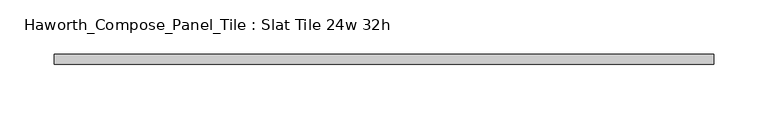
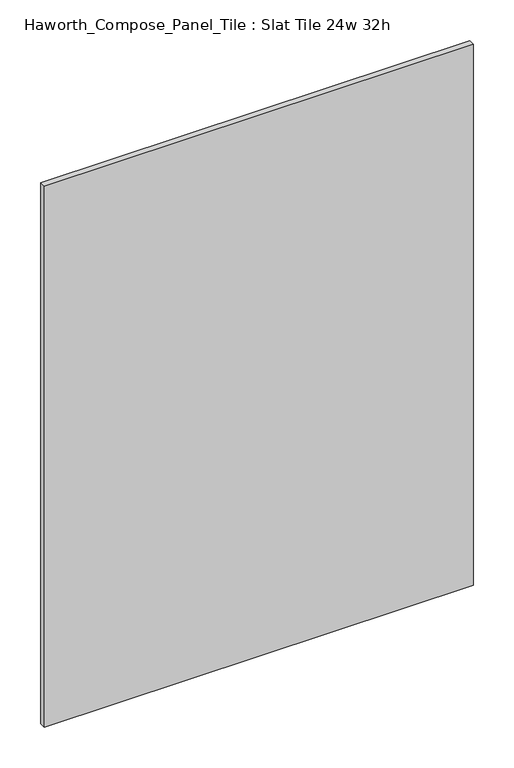
"""IFC4 building model written with IfcOpenShell, lengths in millimetres: furniture geometry, Haworth_Compose_Panel_Tile : Slat Tile 24w 32h."""

import ifcopenshell
import ifcopenshell.guid

model = None  # the IFC model being written
_history = None  # IfcOwnerHistory: only IFC2X3 demands one
_inside = {}  # id of a spatial element -> (the spatial element, [elements in it])
_under = {}  # id of a project, library or spatial element -> (it, [spatial elements below it])
_declared = {}  # id of a project -> (the project, [libraries it declares])
_typed = {}  # id of a type object -> (the type object, [elements of that type])
_made_of = {}  # id of a material, layer set ... -> (it, [elements and type objects made of it])


def new_model(schema):
    """Start an empty IFC model of exactly this schema.

    Asked for "IFC4X3", IfcOpenShell would pick the latest addendum, in which some entities
    have other attributes; the version numbers below select the first issue.
    IFC2X3 requires an IfcOwnerHistory on every rooted entity: one is made here for all.
    """
    global model, _history
    if schema == "IFC4X3":
        model = ifcopenshell.file(schema_version=(4, 3, 0, 0))
    else:
        model = ifcopenshell.file(schema=schema)
    _inside.clear()
    _under.clear()
    _declared.clear()
    _typed.clear()
    _made_of.clear()
    _history = None
    if model.schema == "IFC2X3":
        org = make("IfcOrganization", Name="unknown")
        user = make(
            "IfcPersonAndOrganization",
            ThePerson=make("IfcPerson", FamilyName="unknown"),
            TheOrganization=org,
        )
        app = make(
            "IfcApplication",
            ApplicationDeveloper=org,
            Version="unknown",
            ApplicationFullName="unknown",
            ApplicationIdentifier="unknown",
        )
        _history = make(
            "IfcOwnerHistory",
            OwningUser=user,
            OwningApplication=app,
            ChangeAction="ADDED",
            CreationDate=0,
        )
    return model


def make(cls, **values):
    """One entity of the class cls with the attributes given. An attribute that is None is left unset."""
    return model.create_entity(
        cls, **{name: value for name, value in values.items() if value is not None}
    )


def rooted(cls, **values):
    """An entity with a GlobalId (a new one), such as an element, a storey or a relation."""
    return make(cls, GlobalId=ifcopenshell.guid.new(), OwnerHistory=_history, **values)


def si_unit(unit_type, name, prefix=None):
    """IfcSIUnit, for example si_unit("LENGTHUNIT", "METRE", prefix="MILLI")."""
    return make("IfcSIUnit", UnitType=unit_type, Prefix=prefix, Name=name)


def assignment(units):
    """IfcUnitAssignment: the units of a project."""
    return None if units is None else make("IfcUnitAssignment", Units=units)


def point(xyz):
    """IfcCartesianPoint."""
    return None if xyz is None else make("IfcCartesianPoint", Coordinates=xyz)


def direction(xyz):
    """IfcDirection."""
    return None if xyz is None else make("IfcDirection", DirectionRatios=xyz)


def frame(location, z_axis=None, x_axis=None):
    """IfcAxis2Placement3D, a coordinate frame: its origin and axes. An axis left out is left unset."""
    return make(
        "IfcAxis2Placement3D",
        Location=point(location),
        Axis=direction(z_axis),
        RefDirection=direction(x_axis),
    )


def origin():
    """The frame at (0, 0, 0) with its axes left unset."""
    return frame((0.0, 0.0, 0.0))


def place(relative_to, where):
    """IfcLocalPlacement: puts the frame where relative to a parent placement (None: the world)."""
    return make(
        "IfcLocalPlacement", PlacementRelTo=relative_to, RelativePlacement=where
    )


def context(
    kind, dimensions, precision=None, world=None, true_north=None, identifier=None
):
    """IfcGeometricRepresentationContext, for example the 3D "Model" context."""
    return make(
        "IfcGeometricRepresentationContext",
        ContextIdentifier=identifier,
        ContextType=kind,
        CoordinateSpaceDimension=dimensions,
        Precision=precision,
        WorldCoordinateSystem=world,
        TrueNorth=true_north,
    )


def project(units=None, contexts=None):
    """IfcProject with its units and contexts."""
    return rooted(
        "IfcProject",
        Name="project",
        RepresentationContexts=contexts,
        UnitsInContext=assignment(units),
    )


def spatial(cls, under=None, at=None, **own):
    """A site, building, storey or space (cls), placed at a placement, below another one or the project."""
    s = rooted(cls, ObjectPlacement=at, **own)
    if under is not None:
        _under.setdefault(under.id(), (under, []))[1].append(s)
    return s


def polyline(points):
    """IfcPolyline through the points."""
    return make("IfcPolyline", Points=[point(p) for p in points])


def outline(outer, holes=None, kind="AREA"):
    """IfcArbitraryClosedProfileDef: a profile drawn as a closed curve; with holes, ...WithVoids."""
    if holes is None:
        return make("IfcArbitraryClosedProfileDef", ProfileType=kind, OuterCurve=outer)
    return make(
        "IfcArbitraryProfileDefWithVoids",
        ProfileType=kind,
        OuterCurve=outer,
        InnerCurves=holes,
    )


def extrude(swept, where, along, depth):
    """IfcExtrudedAreaSolid: the profile swept, set in the frame where, extruded along a direction by depth."""
    return make(
        "IfcExtrudedAreaSolid",
        SweptArea=swept,
        Position=where,
        ExtrudedDirection=direction(along),
        Depth=depth,
    )


def shape(context_of_items, identifier, shape_type, items):
    """IfcShapeRepresentation: the items that make up one representation, for example the "Body"."""
    return make(
        "IfcShapeRepresentation",
        ContextOfItems=context_of_items,
        RepresentationIdentifier=identifier,
        RepresentationType=shape_type,
        Items=items,
    )


def source(mapping_origin, context_of_items, identifier, shape_type, items):
    """IfcRepresentationMap: a shape defined once, which mapped items show again and again."""
    return make(
        "IfcRepresentationMap",
        MappingOrigin=mapping_origin,
        MappedRepresentation=shape(context_of_items, identifier, shape_type, items),
    )


def transform(
    local_origin,
    x_axis=None,
    y_axis=None,
    z_axis=None,
    scale=None,
    scale2=None,
    scale3=None,
    uniform=True,
):
    """IfcCartesianTransformationOperator3D, or its non-uniform kind. x_axis, y_axis, z_axis: its Axis1, 2, 3."""
    if uniform:
        return make(
            "IfcCartesianTransformationOperator3D",
            Axis1=direction(x_axis),
            Axis2=direction(y_axis),
            LocalOrigin=point(local_origin),
            Scale=scale,
            Axis3=direction(z_axis),
        )
    return make(
        "IfcCartesianTransformationOperator3DnonUniform",
        Axis1=direction(x_axis),
        Axis2=direction(y_axis),
        LocalOrigin=point(local_origin),
        Scale=scale,
        Axis3=direction(z_axis),
        Scale2=scale2,
        Scale3=scale3,
    )


def mapped(mapping_source, mapping_target):
    """IfcMappedItem: shows the shape of a source again, moved by a transform."""
    return make(
        "IfcMappedItem", MappingSource=mapping_source, MappingTarget=mapping_target
    )


def made_of(thing, what):
    """Note that an element or type object is made of a material, layer set ...; save() writes the relation."""
    if what is not None:
        _made_of.setdefault(what.id(), (what, []))[1].append(thing)
    return thing


def element(
    cls,
    number,
    at=None,
    inside=None,
    cuts=None,
    type_object=None,
    material=None,
    context=None,
    identifier="Body",
    shape_type=None,
    held_by="IfcProductDefinitionShape",
    body=None,
    shapes=None,
    **own,
):
    """One element of the class cls, such as IfcWall. Its Tag is "e" and its number.

    at: its placement. inside: the storey or other place that contains it. cuts: it is an
    opening in that element (IfcRelVoidsElement). A single representation is given by context,
    identifier, shape_type and body (its items); several are given by shapes. held_by: the class
    of the entity that holds the representations. save() writes the other relations.
    """
    e = rooted(cls, Tag="e%d" % number, ObjectPlacement=at, **own)
    if body is not None:
        shapes = [shape(context, identifier, shape_type, body)]
    if shapes is not None:
        e.Representation = make(held_by, Representations=shapes)
    if inside is not None:
        _inside.setdefault(inside.id(), (inside, []))[1].append(e)
    if cuts is not None:
        rooted(
            "IfcRelVoidsElement", RelatingBuildingElement=cuts, RelatedOpeningElement=e
        )
    if type_object is not None:
        _typed.setdefault(type_object.id(), (type_object, []))[1].append(e)
    return made_of(e, material)


def aggregate(whole, parts):
    """IfcRelAggregates: a whole, such as a stair, and the parts it consists of."""
    return rooted("IfcRelAggregates", RelatingObject=whole, RelatedObjects=parts)


def save(model, path):
    """Write the relations noted so far, then the file.

    IfcRelAggregates (storeys below a building ...), IfcRelContainedInSpatialStructure (elements
    in a storey), IfcRelDefinesByType, IfcRelAssociatesMaterial and IfcRelDeclares: one each for
    every whole, place, type object, material and project.
    """
    for whole, parts in _under.values():
        aggregate(whole, parts)
    for where, things in _inside.values():
        rooted(
            "IfcRelContainedInSpatialStructure",
            RelatedElements=things,
            RelatingStructure=where,
        )
    for kind, things in _typed.values():
        rooted("IfcRelDefinesByType", RelatedObjects=things, RelatingType=kind)
    for what, things in _made_of.values():
        rooted("IfcRelAssociatesMaterial", RelatedObjects=things, RelatingMaterial=what)
    for by, libraries in _declared.values():
        rooted("IfcRelDeclares", RelatingContext=by, RelatedDefinitions=libraries)
    model.write(path)


def haworth_compose_panel_tile_slat_tile_24w_32h_b1519694(model_context):
    return source(origin(), model_context, "Body", "SweptSolid", [
        extrude(outline(polyline([(307.2402902, -25.7218594), (-302.3597098, -25.7218594), (-302.3597098, -16.1968594), (307.2402902, -16.1968594), (307.2402902, -25.7218594)])), frame((0.0, 0.0, 1066.8), z_axis=(0.0, 0.0, 1.0), x_axis=(1.0, 0.0, 0.0)), (0.0, 0.0, 1.0), 812.8),
    ])


if __name__ == "__main__":
    model = new_model("IFC4")
    model_context = context("Model", 3, world=origin())
    ifc_project = project(units=[si_unit("LENGTHUNIT", "METRE", prefix="MILLI")], contexts=[model_context])
    site = spatial("IfcSite", under=ifc_project)
    building = spatial("IfcBuilding", under=site)
    placement = place(None, origin())
    haworth_compose_panel_tile_slat_tile_24w_32h_shape = haworth_compose_panel_tile_slat_tile_24w_32h_b1519694(model_context)
    element("IfcFurniture", 1, ObjectType="Haworth_Compose_Panel_Tile : Slat Tile 24w 32h", at=placement, inside=building, context=model_context, shape_type="MappedRepresentation", body=[
        mapped(haworth_compose_panel_tile_slat_tile_24w_32h_shape, transform((0.0, 0.0, 0.0), x_axis=(1.0, 0.0, 0.0), y_axis=(0.0, 1.0, 0.0), z_axis=(0.0, 0.0, 1.0))),
    ])
    save(model, "model.ifc")
